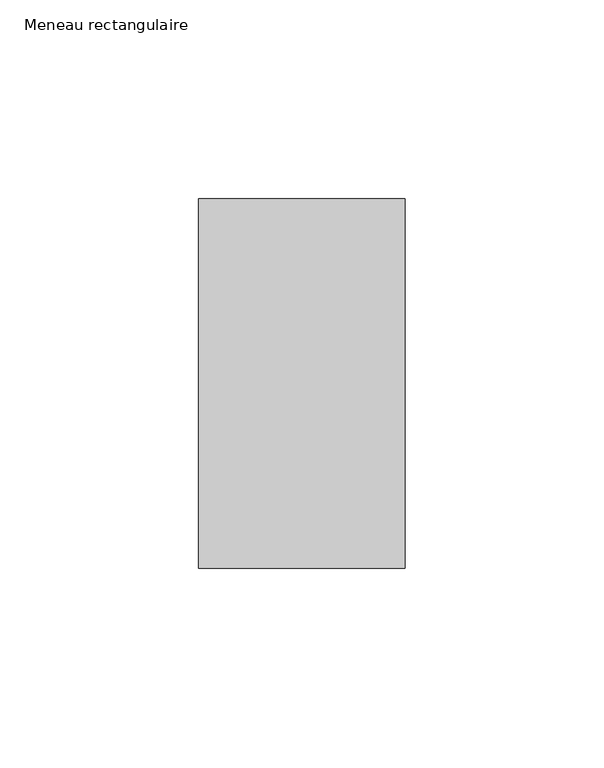
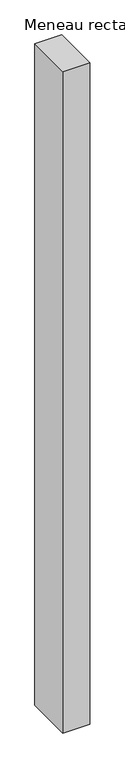
"""IFC4 building model written with IfcOpenShell, lengths in millimetres: member geometry, Meneau rectangulaire."""

from ifc_helpers import new_model, si_unit, frame, origin, place, context, project, spatial, polyline, outline, extrude, source, transform, mapped, element, save


def meneau_rectangulaire_29599211(model_context):
    return source(origin(), model_context, "Body", "SweptSolid", [
        extrude(outline(polyline([(-52.0, 46.5), (0.0, 46.5), (0.0, -46.5), (-52.0, -46.5), (-52.0, 46.5)])), frame((0.0, 0.0, -1345.1666666), z_axis=(0.0, 0.0, 1.0), x_axis=(1.0, 0.0, 0.0)), (0.0, 0.0, 1.0), 1345.1666666),
    ])


if __name__ == "__main__":
    model = new_model("IFC4")
    model_context = context("Model", 3, world=origin())
    ifc_project = project(units=[si_unit("LENGTHUNIT", "METRE", prefix="MILLI")], contexts=[model_context])
    site = spatial("IfcSite", under=ifc_project)
    building = spatial("IfcBuilding", under=site)
    placement = place(None, origin())
    meneau_rectangulaire_shape = meneau_rectangulaire_29599211(model_context)
    element("IfcMember", 1, ObjectType="Meneau rectangulaire", at=placement, inside=building, context=model_context, shape_type="MappedRepresentation", body=[
        mapped(meneau_rectangulaire_shape, transform((0.0, 0.0, 0.0), x_axis=(1.0, 0.0, 0.0), y_axis=(0.0, 1.0, 0.0), z_axis=(0.0, 0.0, 1.0))),
    ])
    save(model, "model.ifc")
